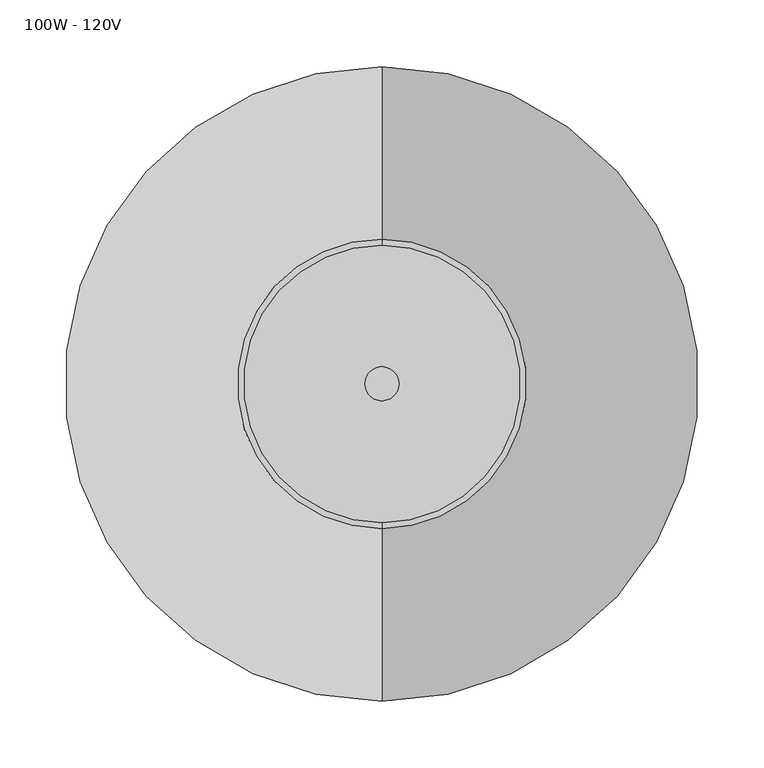
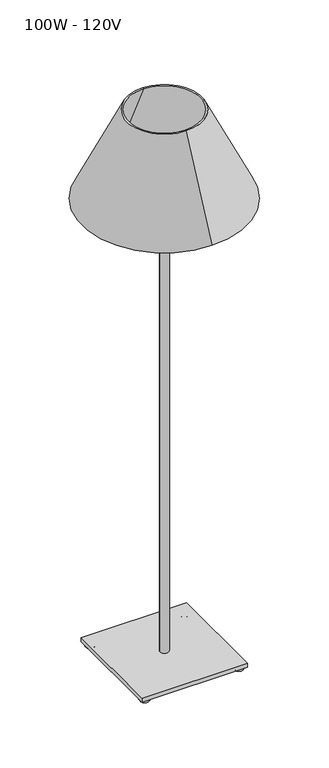
"""IFC4 building model written with IfcOpenShell, lengths in millimetres: light fixture geometry, 100W - 120V."""

import ifcopenshell
import ifcopenshell.guid

model = None  # the IFC model being written
_history = None  # IfcOwnerHistory: only IFC2X3 demands one
_inside = {}  # id of a spatial element -> (the spatial element, [elements in it])
_under = {}  # id of a project, library or spatial element -> (it, [spatial elements below it])
_declared = {}  # id of a project -> (the project, [libraries it declares])
_typed = {}  # id of a type object -> (the type object, [elements of that type])
_made_of = {}  # id of a material, layer set ... -> (it, [elements and type objects made of it])


def new_model(schema):
    """Start an empty IFC model of exactly this schema.

    Asked for "IFC4X3", IfcOpenShell would pick the latest addendum, in which some entities
    have other attributes; the version numbers below select the first issue.
    IFC2X3 requires an IfcOwnerHistory on every rooted entity: one is made here for all.
    """
    global model, _history
    if schema == "IFC4X3":
        model = ifcopenshell.file(schema_version=(4, 3, 0, 0))
    else:
        model = ifcopenshell.file(schema=schema)
    _inside.clear()
    _under.clear()
    _declared.clear()
    _typed.clear()
    _made_of.clear()
    _history = None
    if model.schema == "IFC2X3":
        org = make("IfcOrganization", Name="unknown")
        user = make(
            "IfcPersonAndOrganization",
            ThePerson=make("IfcPerson", FamilyName="unknown"),
            TheOrganization=org,
        )
        app = make(
            "IfcApplication",
            ApplicationDeveloper=org,
            Version="unknown",
            ApplicationFullName="unknown",
            ApplicationIdentifier="unknown",
        )
        _history = make(
            "IfcOwnerHistory",
            OwningUser=user,
            OwningApplication=app,
            ChangeAction="ADDED",
            CreationDate=0,
        )
    return model


def make(cls, **values):
    """One entity of the class cls with the attributes given. An attribute that is None is left unset."""
    return model.create_entity(
        cls, **{name: value for name, value in values.items() if value is not None}
    )


def rooted(cls, **values):
    """An entity with a GlobalId (a new one), such as an element, a storey or a relation."""
    return make(cls, GlobalId=ifcopenshell.guid.new(), OwnerHistory=_history, **values)


def si_unit(unit_type, name, prefix=None):
    """IfcSIUnit, for example si_unit("LENGTHUNIT", "METRE", prefix="MILLI")."""
    return make("IfcSIUnit", UnitType=unit_type, Prefix=prefix, Name=name)


def assignment(units):
    """IfcUnitAssignment: the units of a project."""
    return None if units is None else make("IfcUnitAssignment", Units=units)


def point(xyz):
    """IfcCartesianPoint."""
    return None if xyz is None else make("IfcCartesianPoint", Coordinates=xyz)


def direction(xyz):
    """IfcDirection."""
    return None if xyz is None else make("IfcDirection", DirectionRatios=xyz)


def frame(location, z_axis=None, x_axis=None):
    """IfcAxis2Placement3D, a coordinate frame: its origin and axes. An axis left out is left unset."""
    return make(
        "IfcAxis2Placement3D",
        Location=point(location),
        Axis=direction(z_axis),
        RefDirection=direction(x_axis),
    )


def frame_2d(location, x_axis=None):
    """IfcAxis2Placement2D, a coordinate frame in the plane: its origin and x axis."""
    return make(
        "IfcAxis2Placement2D", Location=point(location), RefDirection=direction(x_axis)
    )


def origin():
    """The frame at (0, 0, 0) with its axes left unset."""
    return frame((0.0, 0.0, 0.0))


def origin_2d():
    """The frame at (0, 0) in the plane with its x axis left unset."""
    return frame_2d((0.0, 0.0))


def place(relative_to, where):
    """IfcLocalPlacement: puts the frame where relative to a parent placement (None: the world)."""
    return make(
        "IfcLocalPlacement", PlacementRelTo=relative_to, RelativePlacement=where
    )


def context(
    kind, dimensions, precision=None, world=None, true_north=None, identifier=None
):
    """IfcGeometricRepresentationContext, for example the 3D "Model" context."""
    return make(
        "IfcGeometricRepresentationContext",
        ContextIdentifier=identifier,
        ContextType=kind,
        CoordinateSpaceDimension=dimensions,
        Precision=precision,
        WorldCoordinateSystem=world,
        TrueNorth=true_north,
    )


def project(units=None, contexts=None):
    """IfcProject with its units and contexts."""
    return rooted(
        "IfcProject",
        Name="project",
        RepresentationContexts=contexts,
        UnitsInContext=assignment(units),
    )


def spatial(cls, under=None, at=None, **own):
    """A site, building, storey or space (cls), placed at a placement, below another one or the project."""
    s = rooted(cls, ObjectPlacement=at, **own)
    if under is not None:
        _under.setdefault(under.id(), (under, []))[1].append(s)
    return s


def polyline(points):
    """IfcPolyline through the points."""
    return make("IfcPolyline", Points=[point(p) for p in points])


def circle_curve(where, radius):
    """IfcCircle in the frame where."""
    return make("IfcCircle", Position=where, Radius=radius)


def ellipse_curve(where, semi_axis1, semi_axis2):
    """IfcEllipse in the frame where."""
    return make(
        "IfcEllipse", Position=where, SemiAxis1=semi_axis1, SemiAxis2=semi_axis2
    )


def trimmed(basis, trim1, trim2, sense, master):
    """IfcTrimmedCurve: the piece of a basis curve between two trims."""
    return make(
        "IfcTrimmedCurve",
        BasisCurve=basis,
        Trim1=trim1,
        Trim2=trim2,
        SenseAgreement=sense,
        MasterRepresentation=master,
    )


def segment(curve, same_sense, transition):
    """IfcCompositeCurveSegment."""
    return make(
        "IfcCompositeCurveSegment",
        Transition=transition,
        SameSense=same_sense,
        ParentCurve=curve,
    )


def composite_curve(segments, self_intersect=None):
    """IfcCompositeCurve: segments joined end to end."""
    return make("IfcCompositeCurve", Segments=segments, SelfIntersect=self_intersect)


def outline(outer, holes=None, kind="AREA"):
    """IfcArbitraryClosedProfileDef: a profile drawn as a closed curve; with holes, ...WithVoids."""
    if holes is None:
        return make("IfcArbitraryClosedProfileDef", ProfileType=kind, OuterCurve=outer)
    return make(
        "IfcArbitraryProfileDefWithVoids",
        ProfileType=kind,
        OuterCurve=outer,
        InnerCurves=holes,
    )


def extrude(swept, where, along, depth):
    """IfcExtrudedAreaSolid: the profile swept, set in the frame where, extruded along a direction by depth."""
    return make(
        "IfcExtrudedAreaSolid",
        SweptArea=swept,
        Position=where,
        ExtrudedDirection=direction(along),
        Depth=depth,
    )


def shape(context_of_items, identifier, shape_type, items):
    """IfcShapeRepresentation: the items that make up one representation, for example the "Body"."""
    return make(
        "IfcShapeRepresentation",
        ContextOfItems=context_of_items,
        RepresentationIdentifier=identifier,
        RepresentationType=shape_type,
        Items=items,
    )


def source(mapping_origin, context_of_items, identifier, shape_type, items):
    """IfcRepresentationMap: a shape defined once, which mapped items show again and again."""
    return make(
        "IfcRepresentationMap",
        MappingOrigin=mapping_origin,
        MappedRepresentation=shape(context_of_items, identifier, shape_type, items),
    )


def transform(
    local_origin,
    x_axis=None,
    y_axis=None,
    z_axis=None,
    scale=None,
    scale2=None,
    scale3=None,
    uniform=True,
):
    """IfcCartesianTransformationOperator3D, or its non-uniform kind. x_axis, y_axis, z_axis: its Axis1, 2, 3."""
    if uniform:
        return make(
            "IfcCartesianTransformationOperator3D",
            Axis1=direction(x_axis),
            Axis2=direction(y_axis),
            LocalOrigin=point(local_origin),
            Scale=scale,
            Axis3=direction(z_axis),
        )
    return make(
        "IfcCartesianTransformationOperator3DnonUniform",
        Axis1=direction(x_axis),
        Axis2=direction(y_axis),
        LocalOrigin=point(local_origin),
        Scale=scale,
        Axis3=direction(z_axis),
        Scale2=scale2,
        Scale3=scale3,
    )


def mapped(mapping_source, mapping_target):
    """IfcMappedItem: shows the shape of a source again, moved by a transform."""
    return make(
        "IfcMappedItem", MappingSource=mapping_source, MappingTarget=mapping_target
    )


def made_of(thing, what):
    """Note that an element or type object is made of a material, layer set ...; save() writes the relation."""
    if what is not None:
        _made_of.setdefault(what.id(), (what, []))[1].append(thing)
    return thing


def element(
    cls,
    number,
    at=None,
    inside=None,
    cuts=None,
    type_object=None,
    material=None,
    context=None,
    identifier="Body",
    shape_type=None,
    held_by="IfcProductDefinitionShape",
    body=None,
    shapes=None,
    **own,
):
    """One element of the class cls, such as IfcWall. Its Tag is "e" and its number.

    at: its placement. inside: the storey or other place that contains it. cuts: it is an
    opening in that element (IfcRelVoidsElement). A single representation is given by context,
    identifier, shape_type and body (its items); several are given by shapes. held_by: the class
    of the entity that holds the representations. save() writes the other relations.
    """
    e = rooted(cls, Tag="e%d" % number, ObjectPlacement=at, **own)
    if body is not None:
        shapes = [shape(context, identifier, shape_type, body)]
    if shapes is not None:
        e.Representation = make(held_by, Representations=shapes)
    if inside is not None:
        _inside.setdefault(inside.id(), (inside, []))[1].append(e)
    if cuts is not None:
        rooted(
            "IfcRelVoidsElement", RelatingBuildingElement=cuts, RelatedOpeningElement=e
        )
    if type_object is not None:
        _typed.setdefault(type_object.id(), (type_object, []))[1].append(e)
    return made_of(e, material)


def aggregate(whole, parts):
    """IfcRelAggregates: a whole, such as a stair, and the parts it consists of."""
    return rooted("IfcRelAggregates", RelatingObject=whole, RelatedObjects=parts)


def save(model, path):
    """Write the relations noted so far, then the file.

    IfcRelAggregates (storeys below a building ...), IfcRelContainedInSpatialStructure (elements
    in a storey), IfcRelDefinesByType, IfcRelAssociatesMaterial and IfcRelDeclares: one each for
    every whole, place, type object, material and project.
    """
    for whole, parts in _under.values():
        aggregate(whole, parts)
    for where, things in _inside.values():
        rooted(
            "IfcRelContainedInSpatialStructure",
            RelatedElements=things,
            RelatingStructure=where,
        )
    for kind, things in _typed.values():
        rooted("IfcRelDefinesByType", RelatedObjects=things, RelatingType=kind)
    for what, things in _made_of.values():
        rooted("IfcRelAssociatesMaterial", RelatedObjects=things, RelatingMaterial=what)
    for by, libraries in _declared.values():
        rooted("IfcRelDeclares", RelatingContext=by, RelatedDefinitions=libraries)
    model.write(path)


def plane_surface(at):
    """IfcPlane: the flat surface through the origin of the frame at, square to its z axis."""
    return make("IfcPlane", Position=at)


def revolved_surface(curve, axis_point, axis_direction):
    """IfcSurfaceOfRevolution: the curve turned about the line through axis_point along axis_direction."""
    return make(
        "IfcSurfaceOfRevolution",
        SweptCurve=make("IfcArbitraryOpenProfileDef", ProfileType="CURVE", Curve=curve),
        AxisPosition=make("IfcAxis1Placement", Location=point(axis_point), Axis=direction(axis_direction)),
    )


def advanced_brep(points, edges, surfaces, faces):
    """IfcAdvancedBrep: a solid bounded by faces that lie on surfaces and meet in shared edges.

    An edge is (start, end): straight between two places in points (the first is 0);
    or (start, end, curve); or (start, end, curve, False) where it runs against its curve.
    A face is (place in surfaces, loops), or (place, loops, False) where it looks against
    its surface's normal. A loop lists edges by number (the first is 1), with a minus sign
    where the edge is run from its end to its start. The first loop is the outer one.
    """
    corners = [point(p) for p in points]
    vertices = [make("IfcVertexPoint", VertexGeometry=c) for c in corners]
    made = []
    for start, end, *more in edges:
        made.append(
            make(
                "IfcEdgeCurve",
                EdgeStart=vertices[start],
                EdgeEnd=vertices[end],
                EdgeGeometry=more[0] if more else make("IfcPolyline", Points=[corners[start], corners[end]]),
                SameSense=more[1] if len(more) > 1 else True,
            )
        )
    hull = []
    for where, loops, *sense in faces:
        bounds = []
        for j, loop in enumerate(loops):
            ring = [make("IfcOrientedEdge", EdgeElement=made[abs(k) - 1], Orientation=k > 0) for k in loop]
            bounds.append(
                make(
                    "IfcFaceOuterBound" if j == 0 else "IfcFaceBound",
                    Bound=make("IfcEdgeLoop", EdgeList=ring),
                    Orientation=True,
                )
            )
        hull.append(make("IfcAdvancedFace", Bounds=bounds, FaceSurface=surfaces[where], SameSense=sense[0] if sense else True))
    return make("IfcAdvancedBrep", Outer=make("IfcClosedShell", CfsFaces=hull))


def light_fixture_100w_120v_8564026f(model_context):
    return source(origin(), model_context, "Body", "SolidModel", [
        extrude(outline(composite_curve([segment(trimmed(circle_curve(origin_2d(), 12.7), [point((-12.7, 0.0))], [point((12.7, 0.0))], False, "CARTESIAN"), True, "CONTINUOUS"), segment(trimmed(circle_curve(origin_2d(), 12.7), [point((12.7, 0.0))], [point((-12.7, 0.0))], False, "CARTESIAN"), True, "CONTINUOUS")], self_intersect=False)), frame((0.0, 0.0, 24.9639672), z_axis=(0.0, 0.0, 1.0), x_axis=(1.0, 0.0, 0.0)), (0.0, 0.0, 1.0), 1499.0360328),
        extrude(outline(polyline([(152.4, 152.4), (152.4, -152.4), (-152.4, -152.4), (-152.4, 152.4), (152.4, 152.4)])), frame((0.0, 0.0, 12.6871384), z_axis=(0.0, 0.0, 1.0), x_axis=(1.0, 0.0, 0.0)), (0.0, 0.0, 1.0), 12.2768288),
        advanced_brep(
        [(133.9366871, -135.595774, 0.0), (140.1544999, -135.595774, 0.0), (140.1544999, -135.595774, 12.6871384), (133.9366871, -135.595774, 12.6871384), (121.2495488, -135.595774, 12.6871384), (152.8416383, -135.595774, 12.6871384)],
        [
            (0, 1, circle_curve(frame((137.0455935, -135.595774, 0.0), z_axis=(0.0, 0.0, -1.0), x_axis=(0.0, 1.0, 0.0)), 3.1089064)),
            (1, 2),
            (2, 3, circle_curve(frame((137.0455935, -135.595774, 12.6871384), z_axis=(0.0, 0.0, 1.0), x_axis=(0.0, 1.0, 0.0)), 3.1089064)),
            (3, 0),
            (1, 0, circle_curve(frame((137.0455935, -135.595774, 0.0), z_axis=(0.0, 0.0, -1.0), x_axis=(0.0, 1.0, 0.0)), 3.1089064)),
            (3, 2, circle_curve(frame((137.0455935, -135.595774, 12.6871384), z_axis=(0.0, 0.0, 1.0), x_axis=(0.0, 1.0, 0.0)), 3.1089064)),
            (4, 5, circle_curve(frame((137.0455935, -135.595774, 12.6871384), z_axis=(0.0, 0.0, -1.0), x_axis=(0.0, 1.0, 0.0)), 15.7960447)),
            (5, 1, circle_curve(frame((140.1544999, -135.595774, 12.6871384), z_axis=(0.0, 1.0, 0.0), x_axis=(1.0, 0.0, 0.0)), 12.6871384)),
            (0, 4, circle_curve(frame((133.9366871, -135.595774, 12.6871384), z_axis=(0.0, 1.0, 0.0), x_axis=(-1.0, 0.0, 0.0)), 12.6871384)),
            (5, 4, circle_curve(frame((137.0455935, -135.595774, 12.6871384), z_axis=(0.0, 0.0, -1.0), x_axis=(0.0, 1.0, 0.0)), 15.7960447)),
            (2, 5),
            (4, 3),
        ],
        [
            revolved_surface(polyline([(137.0455935, -132.4868676, 12.6871384), (137.0455935, -132.4868676, 0.0)]), (137.0455935, -135.595774, 0.0), (0.0, 0.0, 1.0)),
            revolved_surface(trimmed(ellipse_curve(frame((137.0455935, -132.4868676, 12.6871384), z_axis=(1.0, 0.0, 0.0), x_axis=(0.0, 1.0, 0.0)), 12.6871384, 12.6871384), [point((137.0455935, -132.4868676, 0.0))], [point((137.0455935, -119.7997292, 12.6871384))], True, "CARTESIAN"), (137.0455935, -135.595774, 0.0), (0.0, 0.0, 1.0)),
            plane_surface(frame((137.0455935, -135.595774, 12.6871384), z_axis=(0.0, 0.0, 1.0), x_axis=(0.0, 1.0, 0.0))),
        ],
        [
            (0, [[1, 2, 3, 4]]),
            (0, [[5, -4, 6, -2]]),
            (1, [[7, 8, -1, 9]]),
            (1, [[10, -9, -5, -8]]),
            (2, [[-3, 11, -7, 12]]),
            (2, [[-6, -12, -10, -11]]),
        ],
    ),
        advanced_brep(
        [(-138.5460372, -136.1907144, 0.0), (-132.3282244, -136.1907144, 0.0), (-132.3282244, -136.1907144, 12.6871384), (-138.5460372, -136.1907144, 12.6871384), (-151.2331755, -136.1907144, 12.6871384), (-119.641086, -136.1907144, 12.6871384)],
        [
            (0, 1, circle_curve(frame((-135.4371308, -136.1907144, 0.0), z_axis=(0.0, 0.0, -1.0), x_axis=(0.0, 1.0, 0.0)), 3.1089064)),
            (1, 2),
            (2, 3, circle_curve(frame((-135.4371308, -136.1907144, 12.6871384), z_axis=(0.0, 0.0, 1.0), x_axis=(0.0, 1.0, 0.0)), 3.1089064)),
            (3, 0),
            (1, 0, circle_curve(frame((-135.4371308, -136.1907144, 0.0), z_axis=(0.0, 0.0, -1.0), x_axis=(0.0, 1.0, 0.0)), 3.1089064)),
            (3, 2, circle_curve(frame((-135.4371308, -136.1907144, 12.6871384), z_axis=(0.0, 0.0, 1.0), x_axis=(0.0, 1.0, 0.0)), 3.1089064)),
            (4, 5, circle_curve(frame((-135.4371308, -136.1907144, 12.6871384), z_axis=(0.0, 0.0, -1.0), x_axis=(0.0, 1.0, 0.0)), 15.7960447)),
            (5, 1, circle_curve(frame((-132.3282244, -136.1907144, 12.6871384), z_axis=(0.0, 1.0, 0.0), x_axis=(1.0, 0.0, 0.0)), 12.6871384)),
            (0, 4, circle_curve(frame((-138.5460372, -136.1907144, 12.6871384), z_axis=(0.0, 1.0, 0.0), x_axis=(-1.0, 0.0, 0.0)), 12.6871384)),
            (5, 4, circle_curve(frame((-135.4371308, -136.1907144, 12.6871384), z_axis=(0.0, 0.0, -1.0), x_axis=(0.0, 1.0, 0.0)), 15.7960447)),
            (2, 5),
            (4, 3),
        ],
        [
            revolved_surface(polyline([(-135.4371308, -133.081808, 12.6871384), (-135.4371308, -133.081808, 0.0)]), (-135.4371308, -136.1907144, 0.0), (0.0, 0.0, 1.0)),
            revolved_surface(trimmed(ellipse_curve(frame((-135.4371308, -133.081808, 12.6871384), z_axis=(1.0, 0.0, 0.0), x_axis=(0.0, 1.0, 0.0)), 12.6871384, 12.6871384), [point((-135.4371308, -133.081808, 0.0))], [point((-135.4371308, -120.3946697, 12.6871384))], True, "CARTESIAN"), (-135.4371308, -136.1907144, 0.0), (0.0, 0.0, 1.0)),
            plane_surface(frame((-135.4371308, -136.1907144, 12.6871384), z_axis=(0.0, 0.0, 1.0), x_axis=(0.0, 1.0, 0.0))),
        ],
        [
            (0, [[1, 2, 3, 4]]),
            (0, [[5, -4, 6, -2]]),
            (1, [[7, 8, -1, 9]]),
            (1, [[10, -9, -5, -8]]),
            (2, [[-3, 11, -7, 12]]),
            (2, [[-6, -12, -10, -11]]),
        ],
    ),
        advanced_brep(
        [(-139.1409776, 135.6970694, 0.0), (-132.9231648, 135.6970694, 0.0), (-132.9231648, 135.6970694, 12.6871384), (-139.1409776, 135.6970694, 12.6871384), (-151.828116, 135.6970694, 12.6871384), (-120.2360265, 135.6970694, 12.6871384)],
        [
            (0, 1, circle_curve(frame((-136.0320712, 135.6970694, 0.0), z_axis=(0.0, 0.0, -1.0), x_axis=(0.0, 1.0, 0.0)), 3.1089064)),
            (1, 2),
            (2, 3, circle_curve(frame((-136.0320712, 135.6970694, 12.6871384), z_axis=(0.0, 0.0, 1.0), x_axis=(0.0, 1.0, 0.0)), 3.1089064)),
            (3, 0),
            (1, 0, circle_curve(frame((-136.0320712, 135.6970694, 0.0), z_axis=(0.0, 0.0, -1.0), x_axis=(0.0, 1.0, 0.0)), 3.1089064)),
            (3, 2, circle_curve(frame((-136.0320712, 135.6970694, 12.6871384), z_axis=(0.0, 0.0, 1.0), x_axis=(0.0, 1.0, 0.0)), 3.1089064)),
            (4, 5, circle_curve(frame((-136.0320712, 135.6970694, 12.6871384), z_axis=(0.0, 0.0, -1.0), x_axis=(0.0, 1.0, 0.0)), 15.7960447)),
            (5, 1, circle_curve(frame((-132.9231648, 135.6970694, 12.6871384), z_axis=(0.0, 1.0, 0.0), x_axis=(1.0, 0.0, 0.0)), 12.6871384)),
            (0, 4, circle_curve(frame((-139.1409776, 135.6970694, 12.6871384), z_axis=(0.0, 1.0, 0.0), x_axis=(-1.0, 0.0, 0.0)), 12.6871384)),
            (5, 4, circle_curve(frame((-136.0320712, 135.6970694, 12.6871384), z_axis=(0.0, 0.0, -1.0), x_axis=(0.0, 1.0, 0.0)), 15.7960447)),
            (2, 5),
            (4, 3),
        ],
        [
            revolved_surface(polyline([(-136.0320712, 138.8059758, 12.6871384), (-136.0320712, 138.8059758, 0.0)]), (-136.0320712, 135.6970694, 0.0), (0.0, 0.0, 1.0)),
            revolved_surface(trimmed(ellipse_curve(frame((-136.0320712, 138.8059758, 12.6871384), z_axis=(1.0, 0.0, 0.0), x_axis=(0.0, 1.0, 0.0)), 12.6871384, 12.6871384), [point((-136.0320712, 138.8059758, 0.0))], [point((-136.0320712, 151.4931142, 12.6871384))], True, "CARTESIAN"), (-136.0320712, 135.6970694, 0.0), (0.0, 0.0, 1.0)),
            plane_surface(frame((-136.0320712, 135.6970694, 12.6871384), z_axis=(0.0, 0.0, 1.0), x_axis=(0.0, 1.0, 0.0))),
        ],
        [
            (0, [[1, 2, 3, 4]]),
            (0, [[5, -4, 6, -2]]),
            (1, [[7, 8, -1, 9]]),
            (1, [[10, -9, -5, -8]]),
            (2, [[-3, 11, -7, 12]]),
            (2, [[-6, -12, -10, -11]]),
        ],
    ),
        advanced_brep(
        [(133.2106985, 136.0573029, 0.0), (139.4285113, 136.0573029, 0.0), (139.4285113, 136.0573029, 12.6871384), (133.2106985, 136.0573029, 12.6871384), (120.5235602, 136.0573029, 12.6871384), (152.1156497, 136.0573029, 12.6871384)],
        [
            (0, 1, circle_curve(frame((136.3196049, 136.0573029, 0.0), z_axis=(0.0, 0.0, -1.0), x_axis=(0.0, 1.0, 0.0)), 3.1089064)),
            (1, 2),
            (2, 3, circle_curve(frame((136.3196049, 136.0573029, 12.6871384), z_axis=(0.0, 0.0, 1.0), x_axis=(0.0, 1.0, 0.0)), 3.1089064)),
            (3, 0),
            (1, 0, circle_curve(frame((136.3196049, 136.0573029, 0.0), z_axis=(0.0, 0.0, -1.0), x_axis=(0.0, 1.0, 0.0)), 3.1089064)),
            (3, 2, circle_curve(frame((136.3196049, 136.0573029, 12.6871384), z_axis=(0.0, 0.0, 1.0), x_axis=(0.0, 1.0, 0.0)), 3.1089064)),
            (4, 5, circle_curve(frame((136.3196049, 136.0573029, 12.6871384), z_axis=(0.0, 0.0, -1.0), x_axis=(0.0, 1.0, 0.0)), 15.7960447)),
            (5, 1, circle_curve(frame((139.4285113, 136.0573029, 12.6871384), z_axis=(0.0, 1.0, 0.0), x_axis=(1.0, 0.0, 0.0)), 12.6871384)),
            (0, 4, circle_curve(frame((133.2106985, 136.0573029, 12.6871384), z_axis=(0.0, 1.0, 0.0), x_axis=(-1.0, 0.0, 0.0)), 12.6871384)),
            (5, 4, circle_curve(frame((136.3196049, 136.0573029, 12.6871384), z_axis=(0.0, 0.0, -1.0), x_axis=(0.0, 1.0, 0.0)), 15.7960447)),
            (2, 5),
            (4, 3),
        ],
        [
            revolved_surface(polyline([(136.3196049, 139.1662093, 12.6871384), (136.3196049, 139.1662093, 0.0)]), (136.3196049, 136.0573029, 0.0), (0.0, 0.0, 1.0)),
            revolved_surface(trimmed(ellipse_curve(frame((136.3196049, 139.1662093, 12.6871384), z_axis=(1.0, 0.0, 0.0), x_axis=(0.0, 1.0, 0.0)), 12.6871384, 12.6871384), [point((136.3196049, 139.1662093, 0.0))], [point((136.3196049, 151.8533477, 12.6871384))], True, "CARTESIAN"), (136.3196049, 136.0573029, 0.0), (0.0, 0.0, 1.0)),
            plane_surface(frame((136.3196049, 136.0573029, 12.6871384), z_axis=(0.0, 0.0, 1.0), x_axis=(0.0, 1.0, 0.0))),
        ],
        [
            (0, [[1, 2, 3, 4]]),
            (0, [[5, -4, 6, -2]]),
            (1, [[7, 8, -1, 9]]),
            (1, [[10, -9, -5, -8]]),
            (2, [[-3, 11, -7, 12]]),
            (2, [[-6, -12, -10, -11]]),
        ],
    ),
        advanced_brep(
        [(0.0, -233.3382251, 1403.5752564), (0.0, 233.3382251, 1403.5752564), (0.0, 104.0586089, 1674.1859784), (0.0, -104.0586089, 1674.1859784), (0.0, -237.8523754, 1403.5752564), (0.0, 237.8523754, 1403.5752564), (0.0, -108.5727592, 1674.1859784), (0.0, 108.5727592, 1674.1859784)],
        [
            (0, 1, circle_curve(frame((0.0, 0.0, 1403.5752564), z_axis=(0.0, 0.0, -1.0), x_axis=(0.0, 1.0, 0.0)), 233.3382251)),
            (1, 2),
            (2, 3, circle_curve(frame((0.0, 0.0, 1674.1859784), z_axis=(0.0, 0.0, 1.0), x_axis=(0.0, 1.0, 0.0)), 104.0586089)),
            (3, 0),
            (1, 0, circle_curve(frame((0.0, 0.0, 1403.5752564), z_axis=(0.0, 0.0, -1.0), x_axis=(0.0, 1.0, 0.0)), 233.3382251)),
            (3, 2, circle_curve(frame((0.0, 0.0, 1674.1859784), z_axis=(0.0, 0.0, 1.0), x_axis=(0.0, 1.0, 0.0)), 104.0586089)),
            (4, 5, circle_curve(frame((0.0, 0.0, 1403.5752564), z_axis=(0.0, 0.0, -1.0), x_axis=(0.0, 1.0, 0.0)), 237.8523754)),
            (5, 1),
            (0, 4),
            (5, 4, circle_curve(frame((0.0, 0.0, 1403.5752564), z_axis=(0.0, 0.0, -1.0), x_axis=(0.0, 1.0, 0.0)), 237.8523754)),
            (6, 7, circle_curve(frame((0.0, 0.0, 1674.1859784), z_axis=(0.0, 0.0, -1.0), x_axis=(0.0, 1.0, 0.0)), 108.5727592)),
            (7, 5),
            (4, 6),
            (7, 6, circle_curve(frame((0.0, 0.0, 1674.1859784), z_axis=(0.0, 0.0, -1.0), x_axis=(0.0, 1.0, 0.0)), 108.5727592)),
            (2, 7),
            (6, 3),
        ],
        [
            revolved_surface(polyline([(0.0, 104.0586089, 1674.1859784), (0.0, 233.3382251, 1403.5752564)]), (0.0, 0.0, 1713.8233367), (0.0, 0.0, 1.0)),
            plane_surface(frame((0.0, 0.0, 1403.5752564), z_axis=(0.0, 0.0, -1.0), x_axis=(0.0, 1.0, 0.0))),
            revolved_surface(polyline([(0.0, 237.8523754, 1403.5752564), (0.0, 108.5727592, 1674.1859784)]), (0.0, 0.0, 1713.8233367), (0.0, 0.0, 1.0)),
            plane_surface(frame((0.0, 0.0, 1674.1859784), z_axis=(0.0, 0.0, 1.0), x_axis=(0.0, 1.0, 0.0))),
        ],
        [
            (0, [[1, 2, 3, 4]]),
            (0, [[5, -4, 6, -2]]),
            (1, [[7, 8, -1, 9]]),
            (1, [[10, -9, -5, -8]]),
            (2, [[11, 12, -7, 13]]),
            (2, [[14, -13, -10, -12]]),
            (3, [[-3, 15, -11, 16]]),
            (3, [[-6, -16, -14, -15]]),
        ],
    ),
    ])


if __name__ == "__main__":
    model = new_model("IFC4")
    model_context = context("Model", 3, world=origin())
    ifc_project = project(units=[si_unit("LENGTHUNIT", "METRE", prefix="MILLI")], contexts=[model_context])
    site = spatial("IfcSite", under=ifc_project)
    building = spatial("IfcBuilding", under=site)
    placement = place(None, origin())
    light_fixture_100w_120v_shape = light_fixture_100w_120v_8564026f(model_context)
    element("IfcLightFixture", 1, ObjectType="100W - 120V", at=placement, inside=building, context=model_context, shape_type="MappedRepresentation", body=[
        mapped(light_fixture_100w_120v_shape, transform((0.0, 0.0, 0.0), x_axis=(1.0, 0.0, 0.0), y_axis=(0.0, 1.0, 0.0), z_axis=(0.0, 0.0, 1.0))),
    ])
    save(model, "model.ifc")
